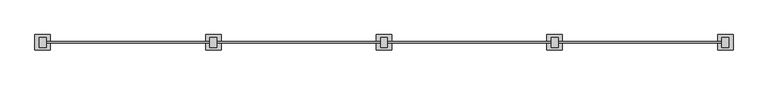
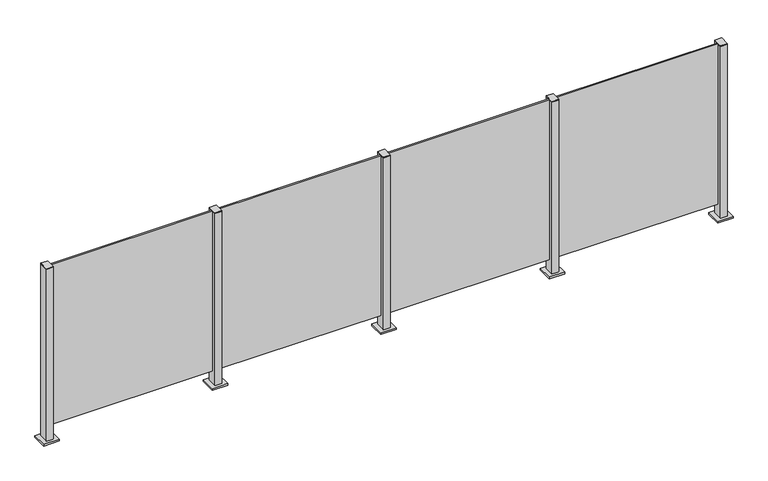
"""IFC4 building model written with IfcOpenShell, lengths in millimetres: railing geometry."""

from ifc_helpers import new_model, si_unit, frame, origin, origin_with_axes, place, context, project, spatial, polyline, outline, extrude, source, transform, mapped, element, save


def railing_3428791b(model_context):
    return source(origin(), model_context, "Body", "SweptSolid", [
        extrude(outline(polyline([(63310.0, 195.9598727), (64390.0, 195.9598727), (64390.0, 185.9598727), (63310.0, 185.9598727), (63310.0, 195.9598727)])), frame((0.0, 0.0, 95.0), z_axis=(0.0, 0.0, 1.0), x_axis=(1.0, 0.0, 0.0)), (0.0, 0.0, 1.0), 1105.0),
        extrude(outline(polyline([(63322.5, 157.6846828), (63277.5, 157.6846828), (63277.5, 222.6846828), (63322.5, 222.6846828), (63322.5, 157.6846828)])), frame((0.0, 0.0, 1200.0), z_axis=(0.0, 0.0, 1.0), x_axis=(1.0, 0.0, 0.0)), (0.0, 0.0, 1.0), 5.0),
        extrude(outline(polyline([(63350.0, 140.1846828), (63250.0, 140.1846828), (63250.0, 240.1846828), (63350.0, 240.1846828), (63350.0, 140.1846828)])), origin_with_axes(), (0.0, 0.0, 1.0), 12.0),
        extrude(outline(polyline([(63322.5, 157.6846828), (63277.5, 157.6846828), (63277.5, 222.6846828), (63322.5, 222.6846828), (63322.5, 157.6846828)])), frame((0.0, 0.0, 12.0), z_axis=(0.0, 0.0, 1.0), x_axis=(1.0, 0.0, 0.0)), (0.0, 0.0, 1.0), 1188.0),
        extrude(outline(polyline([(62210.0, 195.9598727), (63290.0, 195.9598727), (63290.0, 185.9598727), (62210.0, 185.9598727), (62210.0, 195.9598727)])), frame((0.0, 0.0, 95.0), z_axis=(0.0, 0.0, 1.0), x_axis=(1.0, 0.0, 0.0)), (0.0, 0.0, 1.0), 1105.0),
        extrude(outline(polyline([(62222.5, 157.6846828), (62177.5, 157.6846828), (62177.5, 222.6846828), (62222.5, 222.6846828), (62222.5, 157.6846828)])), frame((0.0, 0.0, 1200.0), z_axis=(0.0, 0.0, 1.0), x_axis=(1.0, 0.0, 0.0)), (0.0, 0.0, 1.0), 5.0),
        extrude(outline(polyline([(62250.0, 140.1846828), (62150.0, 140.1846828), (62150.0, 240.1846828), (62250.0, 240.1846828), (62250.0, 140.1846828)])), origin_with_axes(), (0.0, 0.0, 1.0), 12.0),
        extrude(outline(polyline([(62222.5, 157.6846828), (62177.5, 157.6846828), (62177.5, 222.6846828), (62222.5, 222.6846828), (62222.5, 157.6846828)])), frame((0.0, 0.0, 12.0), z_axis=(0.0, 0.0, 1.0), x_axis=(1.0, 0.0, 0.0)), (0.0, 0.0, 1.0), 1188.0),
        extrude(outline(polyline([(61110.0, 195.9598727), (62190.0, 195.9598727), (62190.0, 185.9598727), (61110.0, 185.9598727), (61110.0, 195.9598727)])), frame((0.0, 0.0, 95.0), z_axis=(0.0, 0.0, 1.0), x_axis=(1.0, 0.0, 0.0)), (0.0, 0.0, 1.0), 1105.0),
        extrude(outline(polyline([(61122.5, 157.6846828), (61077.5, 157.6846828), (61077.5, 222.6846828), (61122.5, 222.6846828), (61122.5, 157.6846828)])), frame((0.0, 0.0, 1200.0), z_axis=(0.0, 0.0, 1.0), x_axis=(1.0, 0.0, 0.0)), (0.0, 0.0, 1.0), 5.0),
        extrude(outline(polyline([(61150.0, 140.1846828), (61050.0, 140.1846828), (61050.0, 240.1846828), (61150.0, 240.1846828), (61150.0, 140.1846828)])), origin_with_axes(), (0.0, 0.0, 1.0), 12.0),
        extrude(outline(polyline([(61122.5, 157.6846828), (61077.5, 157.6846828), (61077.5, 222.6846828), (61122.5, 222.6846828), (61122.5, 157.6846828)])), frame((0.0, 0.0, 12.0), z_axis=(0.0, 0.0, 1.0), x_axis=(1.0, 0.0, 0.0)), (0.0, 0.0, 1.0), 1188.0),
        extrude(outline(polyline([(60010.0, 195.9598727), (61090.0, 195.9598727), (61090.0, 185.9598727), (60010.0, 185.9598727), (60010.0, 195.9598727)])), frame((0.0, 0.0, 95.0), z_axis=(0.0, 0.0, 1.0), x_axis=(1.0, 0.0, 0.0)), (0.0, 0.0, 1.0), 1105.0),
        extrude(outline(polyline([(64422.5, 157.6846828), (64377.5, 157.6846828), (64377.5, 222.6846828), (64422.5, 222.6846828), (64422.5, 157.6846828)])), frame((0.0, 0.0, 1200.0), z_axis=(0.0, 0.0, 1.0), x_axis=(1.0, 0.0, 0.0)), (0.0, 0.0, 1.0), 5.0),
        extrude(outline(polyline([(64450.0, 140.1846828), (64350.0, 140.1846828), (64350.0, 240.1846828), (64450.0, 240.1846828), (64450.0, 140.1846828)])), origin_with_axes(), (0.0, 0.0, 1.0), 12.0),
        extrude(outline(polyline([(64422.5, 157.6846828), (64377.5, 157.6846828), (64377.5, 222.6846828), (64422.5, 222.6846828), (64422.5, 157.6846828)])), frame((0.0, 0.0, 12.0), z_axis=(0.0, 0.0, 1.0), x_axis=(1.0, 0.0, 0.0)), (0.0, 0.0, 1.0), 1188.0),
        extrude(outline(polyline([(60022.5, 157.6846828), (59977.5, 157.6846828), (59977.5, 222.6846828), (60022.5, 222.6846828), (60022.5, 157.6846828)])), frame((0.0, 0.0, 1200.0), z_axis=(0.0, 0.0, 1.0), x_axis=(1.0, 0.0, 0.0)), (0.0, 0.0, 1.0), 5.0),
        extrude(outline(polyline([(60050.0, 140.1846828), (59950.0, 140.1846828), (59950.0, 240.1846828), (60050.0, 240.1846828), (60050.0, 140.1846828)])), origin_with_axes(), (0.0, 0.0, 1.0), 12.0),
        extrude(outline(polyline([(60022.5, 157.6846828), (59977.5, 157.6846828), (59977.5, 222.6846828), (60022.5, 222.6846828), (60022.5, 157.6846828)])), frame((0.0, 0.0, 12.0), z_axis=(0.0, 0.0, 1.0), x_axis=(1.0, 0.0, 0.0)), (0.0, 0.0, 1.0), 1188.0),
    ])


if __name__ == "__main__":
    model = new_model("IFC4")
    model_context = context("Model", 3, world=origin())
    ifc_project = project(units=[si_unit("LENGTHUNIT", "METRE", prefix="MILLI")], contexts=[model_context])
    site = spatial("IfcSite", under=ifc_project)
    building = spatial("IfcBuilding", under=site)
    placement = place(None, origin())
    railing_shape = railing_3428791b(model_context)
    element("IfcRailing", 1, at=placement, inside=building, context=model_context, shape_type="MappedRepresentation", body=[
        mapped(railing_shape, transform((0.0, 0.0, 0.0), x_axis=(1.0, 0.0, 0.0), y_axis=(0.0, 1.0, 0.0), z_axis=(0.0, 0.0, 1.0))),
    ])
    save(model, "model.ifc")
